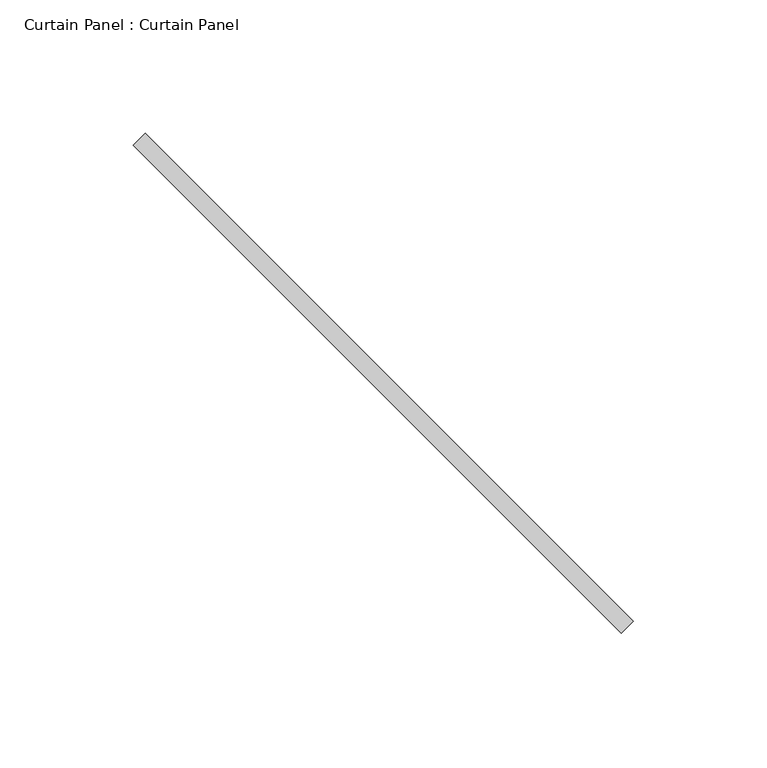
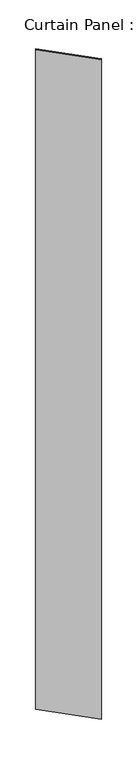
"""IFC4 building model written with IfcOpenShell, lengths in millimetres: plate geometry, Curtain Panel : Curtain Panel."""

import ifcopenshell
import ifcopenshell.guid

model = None  # the IFC model being written
_history = None  # IfcOwnerHistory: only IFC2X3 demands one
_inside = {}  # id of a spatial element -> (the spatial element, [elements in it])
_under = {}  # id of a project, library or spatial element -> (it, [spatial elements below it])
_declared = {}  # id of a project -> (the project, [libraries it declares])
_typed = {}  # id of a type object -> (the type object, [elements of that type])
_made_of = {}  # id of a material, layer set ... -> (it, [elements and type objects made of it])


def new_model(schema):
    """Start an empty IFC model of exactly this schema.

    Asked for "IFC4X3", IfcOpenShell would pick the latest addendum, in which some entities
    have other attributes; the version numbers below select the first issue.
    IFC2X3 requires an IfcOwnerHistory on every rooted entity: one is made here for all.
    """
    global model, _history
    if schema == "IFC4X3":
        model = ifcopenshell.file(schema_version=(4, 3, 0, 0))
    else:
        model = ifcopenshell.file(schema=schema)
    _inside.clear()
    _under.clear()
    _declared.clear()
    _typed.clear()
    _made_of.clear()
    _history = None
    if model.schema == "IFC2X3":
        org = make("IfcOrganization", Name="unknown")
        user = make(
            "IfcPersonAndOrganization",
            ThePerson=make("IfcPerson", FamilyName="unknown"),
            TheOrganization=org,
        )
        app = make(
            "IfcApplication",
            ApplicationDeveloper=org,
            Version="unknown",
            ApplicationFullName="unknown",
            ApplicationIdentifier="unknown",
        )
        _history = make(
            "IfcOwnerHistory",
            OwningUser=user,
            OwningApplication=app,
            ChangeAction="ADDED",
            CreationDate=0,
        )
    return model


def make(cls, **values):
    """One entity of the class cls with the attributes given. An attribute that is None is left unset."""
    return model.create_entity(
        cls, **{name: value for name, value in values.items() if value is not None}
    )


def rooted(cls, **values):
    """An entity with a GlobalId (a new one), such as an element, a storey or a relation."""
    return make(cls, GlobalId=ifcopenshell.guid.new(), OwnerHistory=_history, **values)


def si_unit(unit_type, name, prefix=None):
    """IfcSIUnit, for example si_unit("LENGTHUNIT", "METRE", prefix="MILLI")."""
    return make("IfcSIUnit", UnitType=unit_type, Prefix=prefix, Name=name)


def assignment(units):
    """IfcUnitAssignment: the units of a project."""
    return None if units is None else make("IfcUnitAssignment", Units=units)


def point(xyz):
    """IfcCartesianPoint."""
    return None if xyz is None else make("IfcCartesianPoint", Coordinates=xyz)


def direction(xyz):
    """IfcDirection."""
    return None if xyz is None else make("IfcDirection", DirectionRatios=xyz)


def frame(location, z_axis=None, x_axis=None):
    """IfcAxis2Placement3D, a coordinate frame: its origin and axes. An axis left out is left unset."""
    return make(
        "IfcAxis2Placement3D",
        Location=point(location),
        Axis=direction(z_axis),
        RefDirection=direction(x_axis),
    )


def origin():
    """The frame at (0, 0, 0) with its axes left unset."""
    return frame((0.0, 0.0, 0.0))


def origin_with_axes():
    """The frame at (0, 0, 0) with the z axis (0, 0, 1) and the x axis (1, 0, 0) written out."""
    return frame((0.0, 0.0, 0.0), z_axis=(0.0, 0.0, 1.0), x_axis=(1.0, 0.0, 0.0))


def place(relative_to, where):
    """IfcLocalPlacement: puts the frame where relative to a parent placement (None: the world)."""
    return make(
        "IfcLocalPlacement", PlacementRelTo=relative_to, RelativePlacement=where
    )


def context(
    kind, dimensions, precision=None, world=None, true_north=None, identifier=None
):
    """IfcGeometricRepresentationContext, for example the 3D "Model" context."""
    return make(
        "IfcGeometricRepresentationContext",
        ContextIdentifier=identifier,
        ContextType=kind,
        CoordinateSpaceDimension=dimensions,
        Precision=precision,
        WorldCoordinateSystem=world,
        TrueNorth=true_north,
    )


def project(units=None, contexts=None):
    """IfcProject with its units and contexts."""
    return rooted(
        "IfcProject",
        Name="project",
        RepresentationContexts=contexts,
        UnitsInContext=assignment(units),
    )


def spatial(cls, under=None, at=None, **own):
    """A site, building, storey or space (cls), placed at a placement, below another one or the project."""
    s = rooted(cls, ObjectPlacement=at, **own)
    if under is not None:
        _under.setdefault(under.id(), (under, []))[1].append(s)
    return s


def polyline(points):
    """IfcPolyline through the points."""
    return make("IfcPolyline", Points=[point(p) for p in points])


def outline(outer, holes=None, kind="AREA"):
    """IfcArbitraryClosedProfileDef: a profile drawn as a closed curve; with holes, ...WithVoids."""
    if holes is None:
        return make("IfcArbitraryClosedProfileDef", ProfileType=kind, OuterCurve=outer)
    return make(
        "IfcArbitraryProfileDefWithVoids",
        ProfileType=kind,
        OuterCurve=outer,
        InnerCurves=holes,
    )


def extrude(swept, where, along, depth):
    """IfcExtrudedAreaSolid: the profile swept, set in the frame where, extruded along a direction by depth."""
    return make(
        "IfcExtrudedAreaSolid",
        SweptArea=swept,
        Position=where,
        ExtrudedDirection=direction(along),
        Depth=depth,
    )


def shape(context_of_items, identifier, shape_type, items):
    """IfcShapeRepresentation: the items that make up one representation, for example the "Body"."""
    return make(
        "IfcShapeRepresentation",
        ContextOfItems=context_of_items,
        RepresentationIdentifier=identifier,
        RepresentationType=shape_type,
        Items=items,
    )


def source(mapping_origin, context_of_items, identifier, shape_type, items):
    """IfcRepresentationMap: a shape defined once, which mapped items show again and again."""
    return make(
        "IfcRepresentationMap",
        MappingOrigin=mapping_origin,
        MappedRepresentation=shape(context_of_items, identifier, shape_type, items),
    )


def transform(
    local_origin,
    x_axis=None,
    y_axis=None,
    z_axis=None,
    scale=None,
    scale2=None,
    scale3=None,
    uniform=True,
):
    """IfcCartesianTransformationOperator3D, or its non-uniform kind. x_axis, y_axis, z_axis: its Axis1, 2, 3."""
    if uniform:
        return make(
            "IfcCartesianTransformationOperator3D",
            Axis1=direction(x_axis),
            Axis2=direction(y_axis),
            LocalOrigin=point(local_origin),
            Scale=scale,
            Axis3=direction(z_axis),
        )
    return make(
        "IfcCartesianTransformationOperator3DnonUniform",
        Axis1=direction(x_axis),
        Axis2=direction(y_axis),
        LocalOrigin=point(local_origin),
        Scale=scale,
        Axis3=direction(z_axis),
        Scale2=scale2,
        Scale3=scale3,
    )


def mapped(mapping_source, mapping_target):
    """IfcMappedItem: shows the shape of a source again, moved by a transform."""
    return make(
        "IfcMappedItem", MappingSource=mapping_source, MappingTarget=mapping_target
    )


def made_of(thing, what):
    """Note that an element or type object is made of a material, layer set ...; save() writes the relation."""
    if what is not None:
        _made_of.setdefault(what.id(), (what, []))[1].append(thing)
    return thing


def element(
    cls,
    number,
    at=None,
    inside=None,
    cuts=None,
    type_object=None,
    material=None,
    context=None,
    identifier="Body",
    shape_type=None,
    held_by="IfcProductDefinitionShape",
    body=None,
    shapes=None,
    **own,
):
    """One element of the class cls, such as IfcWall. Its Tag is "e" and its number.

    at: its placement. inside: the storey or other place that contains it. cuts: it is an
    opening in that element (IfcRelVoidsElement). A single representation is given by context,
    identifier, shape_type and body (its items); several are given by shapes. held_by: the class
    of the entity that holds the representations. save() writes the other relations.
    """
    e = rooted(cls, Tag="e%d" % number, ObjectPlacement=at, **own)
    if body is not None:
        shapes = [shape(context, identifier, shape_type, body)]
    if shapes is not None:
        e.Representation = make(held_by, Representations=shapes)
    if inside is not None:
        _inside.setdefault(inside.id(), (inside, []))[1].append(e)
    if cuts is not None:
        rooted(
            "IfcRelVoidsElement", RelatingBuildingElement=cuts, RelatedOpeningElement=e
        )
    if type_object is not None:
        _typed.setdefault(type_object.id(), (type_object, []))[1].append(e)
    return made_of(e, material)


def aggregate(whole, parts):
    """IfcRelAggregates: a whole, such as a stair, and the parts it consists of."""
    return rooted("IfcRelAggregates", RelatingObject=whole, RelatedObjects=parts)


def save(model, path):
    """Write the relations noted so far, then the file.

    IfcRelAggregates (storeys below a building ...), IfcRelContainedInSpatialStructure (elements
    in a storey), IfcRelDefinesByType, IfcRelAssociatesMaterial and IfcRelDeclares: one each for
    every whole, place, type object, material and project.
    """
    for whole, parts in _under.values():
        aggregate(whole, parts)
    for where, things in _inside.values():
        rooted(
            "IfcRelContainedInSpatialStructure",
            RelatedElements=things,
            RelatingStructure=where,
        )
    for kind, things in _typed.values():
        rooted("IfcRelDefinesByType", RelatedObjects=things, RelatingType=kind)
    for what, things in _made_of.values():
        rooted("IfcRelAssociatesMaterial", RelatedObjects=things, RelatingMaterial=what)
    for by, libraries in _declared.values():
        rooted("IfcRelDeclares", RelatingContext=by, RelatedDefinitions=libraries)
    model.write(path)


def curtain_panel_curtain_panel_c9fe0327(model_context):
    return source(origin(), model_context, "Body", "SweptSolid", [
        extrude(outline(polyline([(342582.8562235, 1389.203619), (342399.883505, 1572.1763374), (342404.3736331, 1576.6664655), (342587.3463515, 1393.693747), (342582.8562235, 1389.203619)])), origin_with_axes(), (0.0, 0.0, 1.0), 3048.0),
    ])


if __name__ == "__main__":
    model = new_model("IFC4")
    model_context = context("Model", 3, world=origin())
    ifc_project = project(units=[si_unit("LENGTHUNIT", "METRE", prefix="MILLI")], contexts=[model_context])
    site = spatial("IfcSite", under=ifc_project)
    building = spatial("IfcBuilding", under=site)
    placement = place(None, origin())
    curtain_panel_curtain_panel_shape = curtain_panel_curtain_panel_c9fe0327(model_context)
    element("IfcPlate", 1, ObjectType="Curtain Panel : Curtain Panel", at=placement, inside=building, context=model_context, shape_type="MappedRepresentation", body=[
        mapped(curtain_panel_curtain_panel_shape, transform((0.0, 0.0, 0.0), x_axis=(1.0, 0.0, 0.0), y_axis=(0.0, 1.0, 0.0), z_axis=(0.0, 0.0, 1.0))),
    ])
    save(model, "model.ifc")
